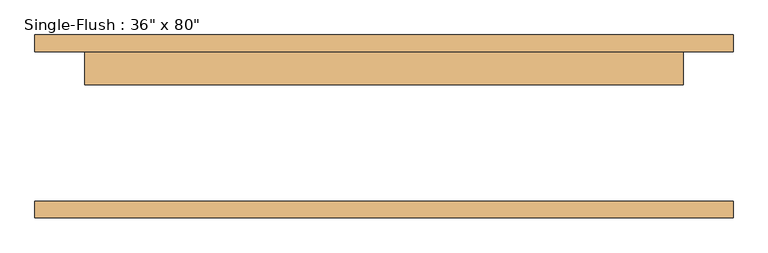
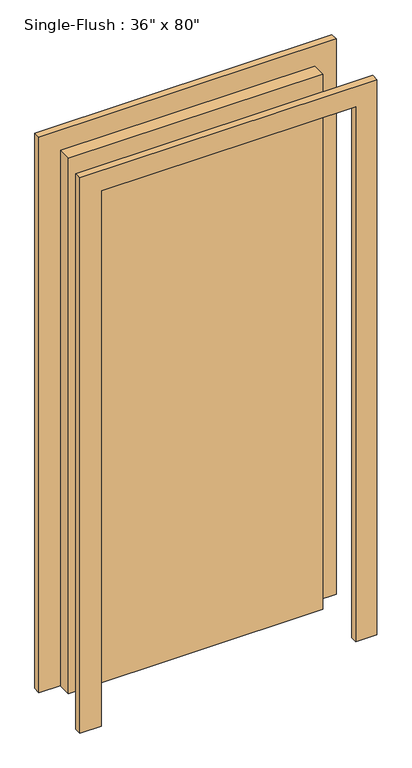
"""IFC4 building model written with IfcOpenShell, lengths in millimetres: door geometry."""

from ifc_helpers import new_model, si_unit, frame, origin, origin_with_axes, place, context, project, spatial, polyline, outline, extrude, source, transform, mapped, element, save


def door_89fc3733(model_context):
    return source(origin(), model_context, "Body", "SweptSolid", [
        extrude(outline(polyline([(2108.2, -533.4), (0.0, -533.4), (0.0, -457.2), (2032.0, -457.2), (2032.0, 457.2), (0.0, 457.2), (0.0, 533.4), (2108.2, 533.4), (2108.2, -533.4)])), frame((0.0, 114.3, 0.0), z_axis=(0.0, 1.0, 0.0), x_axis=(0.0, 0.0, 1.0)), (0.0, 0.0, 1.0), 25.4),
        extrude(outline(polyline([(2108.2, 533.4), (2108.2, -533.4), (0.0, -533.4), (0.0, -457.2), (2032.0, -457.2), (2032.0, 457.2), (0.0, 457.2), (0.0, 533.4), (2108.2, 533.4)])), frame((0.0, -139.7, 0.0), z_axis=(0.0, 1.0, 0.0), x_axis=(0.0, 0.0, 1.0)), (0.0, 0.0, 1.0), 25.4),
        extrude(outline(polyline([(457.2, 63.5), (-457.2, 63.5), (-457.2, 114.3), (457.2, 114.3), (457.2, 63.5)])), origin_with_axes(), (0.0, 0.0, 1.0), 2032.0),
    ])


if __name__ == "__main__":
    model = new_model("IFC4")
    model_context = context("Model", 3, world=origin())
    ifc_project = project(units=[si_unit("LENGTHUNIT", "METRE", prefix="MILLI")], contexts=[model_context])
    site = spatial("IfcSite", under=ifc_project)
    building = spatial("IfcBuilding", under=site)
    placement = place(None, origin())
    door_shape = door_89fc3733(model_context)
    element("IfcDoor", 1, ObjectType="Single-Flush : 36\" x 80\"", at=placement, inside=building, context=model_context, shape_type="MappedRepresentation", body=[
        mapped(door_shape, transform((0.0, 0.0, 0.0), x_axis=(1.0, 0.0, 0.0), y_axis=(0.0, 1.0, 0.0), z_axis=(0.0, 0.0, 1.0))),
    ])
    save(model, "model.ifc")
